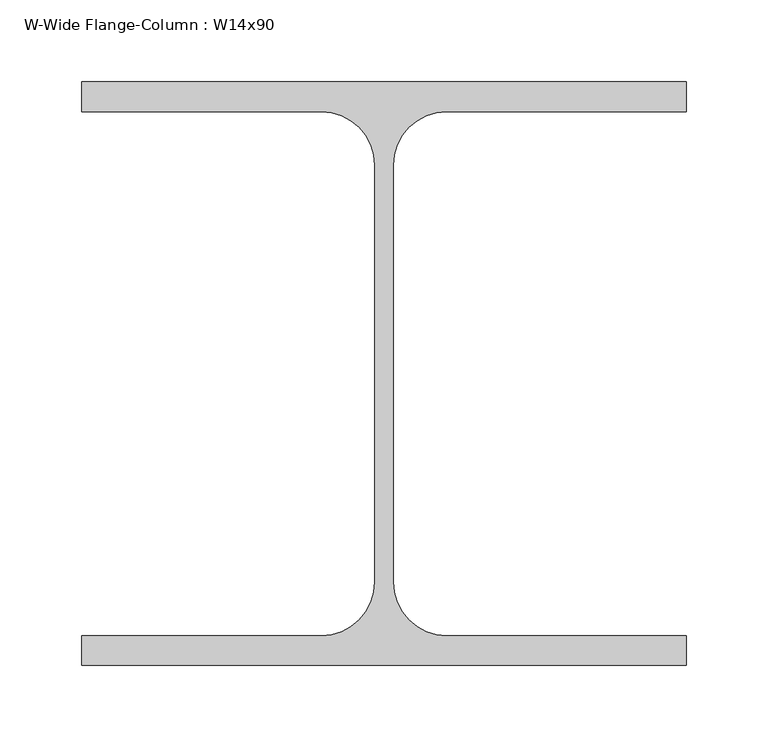
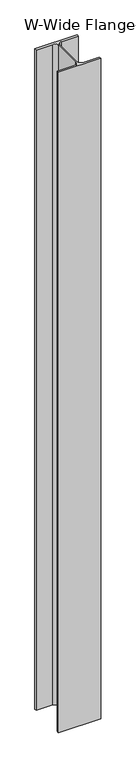
"""IFC4 building model written with IfcOpenShell, lengths in millimetres: column geometry, W-Wide Flange-Column : W14x90."""

from ifc_helpers import new_model, si_unit, point, frame, frame_2d, origin, place, context, project, spatial, polyline, circle_curve, trimmed, segment, composite_curve, outline, extrude, source, transform, mapped, element, save


def w_wide_flange_column_w14x90_97daf957(model_context):
    return source(origin(), model_context, "Body", "SweptSolid", [
        extrude(outline(composite_curve([segment(polyline([(184.15, 177.8), (184.15, 159.766), (38.354, 159.766)]), True, "CONTINUOUS"), segment(trimmed(circle_curve(frame_2d((38.354, 127.0)), 32.766), [point((38.354, 159.766))], [point((5.588, 127.0))], True, "CARTESIAN"), True, "CONTINUOUS"), segment(polyline([(5.588, 127.0), (5.588, -127.0)]), True, "CONTINUOUS"), segment(trimmed(circle_curve(frame_2d((38.354, -127.0)), 32.766), [point((5.588, -127.0))], [point((38.354, -159.766))], True, "CARTESIAN"), True, "CONTINUOUS"), segment(polyline([(38.354, -159.766), (184.15, -159.766), (184.15, -177.8), (-184.15, -177.8), (-184.15, -159.766), (-38.354, -159.766)]), True, "CONTINUOUS"), segment(trimmed(circle_curve(frame_2d((-38.354, -127.0)), 32.766), [point((-38.354, -159.766))], [point((-5.588, -127.0))], True, "CARTESIAN"), True, "CONTINUOUS"), segment(polyline([(-5.588, -127.0), (-5.588, 127.0)]), True, "CONTINUOUS"), segment(trimmed(circle_curve(frame_2d((-38.354, 127.0)), 32.766), [point((-5.588, 127.0))], [point((-38.354, 159.766))], True, "CARTESIAN"), True, "CONTINUOUS"), segment(polyline([(-38.354, 159.766), (-184.15, 159.766), (-184.15, 177.8), (184.15, 177.8)]), True, "CONTINUOUS")], self_intersect=False)), frame((0.0, 0.0, -304.8), z_axis=(0.0, 0.0, 1.0), x_axis=(1.0, 0.0, 0.0)), (0.0, 0.0, 1.0), 6096.0),
    ])


if __name__ == "__main__":
    model = new_model("IFC4")
    model_context = context("Model", 3, world=origin())
    ifc_project = project(units=[si_unit("LENGTHUNIT", "METRE", prefix="MILLI")], contexts=[model_context])
    site = spatial("IfcSite", under=ifc_project)
    building = spatial("IfcBuilding", under=site)
    placement = place(None, origin())
    w_wide_flange_column_w14x90_shape = w_wide_flange_column_w14x90_97daf957(model_context)
    element("IfcColumn", 1, ObjectType="W-Wide Flange-Column : W14x90", at=placement, inside=building, context=model_context, shape_type="MappedRepresentation", body=[
        mapped(w_wide_flange_column_w14x90_shape, transform((0.0, 0.0, 0.0), x_axis=(1.0, 0.0, 0.0), y_axis=(0.0, 1.0, 0.0), z_axis=(0.0, 0.0, 1.0))),
    ])
    save(model, "model.ifc")
